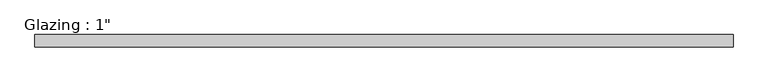
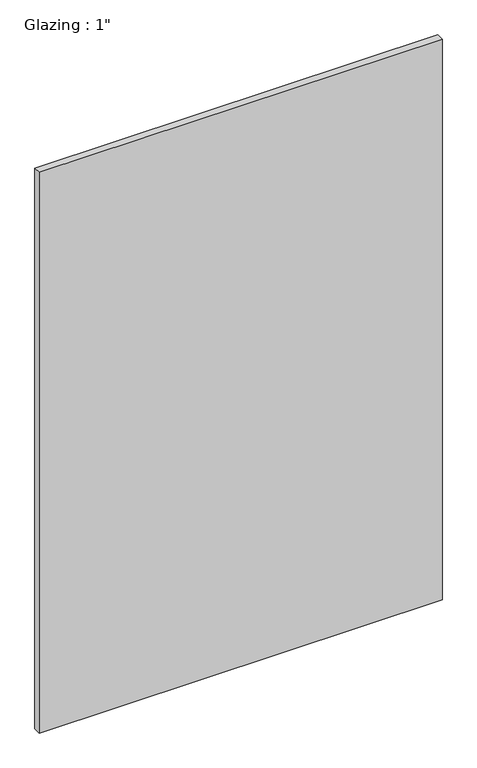
"""IFC4 building model written with IfcOpenShell, lengths in millimetres: plate geometry."""

from ifc_helpers import new_model, si_unit, origin, origin_with_axes, place, context, project, spatial, polyline, outline, extrude, source, transform, mapped, element, save


def plate_b14b6511(model_context):
    return source(origin(), model_context, "Body", "SweptSolid", [
        extrude(outline(polyline([(712.1415297, -12.7), (-712.1415297, -12.7), (-712.1415297, 12.7), (712.1415297, 12.7), (712.1415297, -12.7)])), origin_with_axes(), (0.0, 0.0, 1.0), 2094.5428768),
    ])


if __name__ == "__main__":
    model = new_model("IFC4")
    model_context = context("Model", 3, world=origin())
    ifc_project = project(units=[si_unit("LENGTHUNIT", "METRE", prefix="MILLI")], contexts=[model_context])
    site = spatial("IfcSite", under=ifc_project)
    building = spatial("IfcBuilding", under=site)
    placement = place(None, origin())
    plate_shape = plate_b14b6511(model_context)
    element("IfcPlate", 1, ObjectType="Glazing : 1\"", at=placement, inside=building, context=model_context, shape_type="MappedRepresentation", body=[
        mapped(plate_shape, transform((0.0, 0.0, 0.0), x_axis=(1.0, 0.0, 0.0), y_axis=(0.0, 1.0, 0.0), z_axis=(0.0, 0.0, 1.0))),
    ])
    save(model, "model.ifc")
